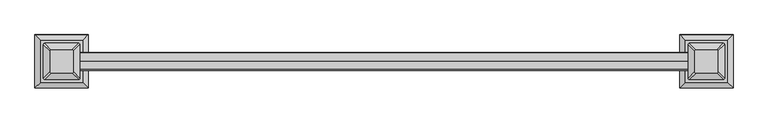
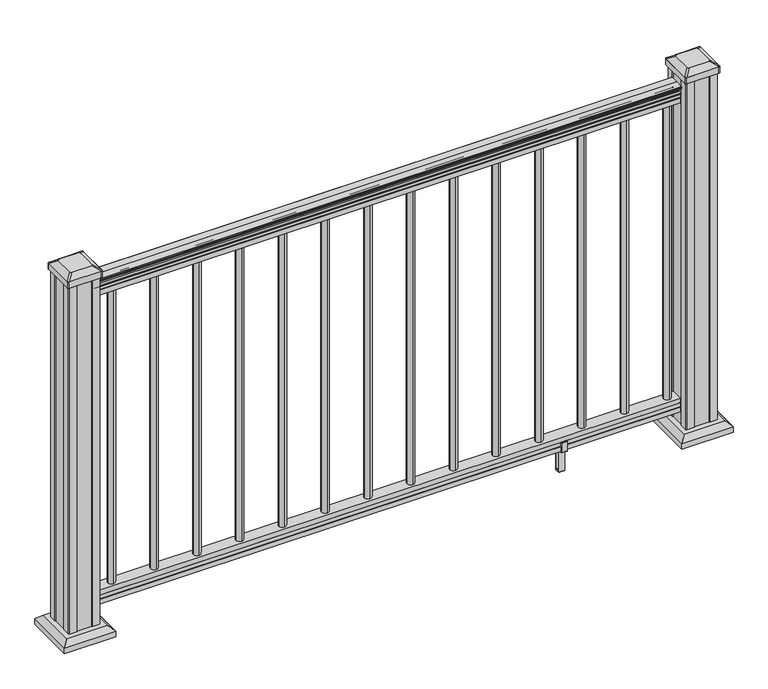
"""IFC4 building model written with IfcOpenShell, lengths in millimetres: railing geometry."""

from ifc_helpers import new_model, si_unit, point, frame, frame_2d, origin, origin_with_axes, place, context, project, spatial, polyline, circle_curve, trimmed, segment, composite_curve, outline, extrude, faceted_brep, source, transform, mapped, element, save
from ifc_brep_helpers import plane_surface, cylinder_surface, revolved_surface, extruded_surface, advanced_brep


def railing_b4f16089(model_context):
    return source(origin(), model_context, "Body", "SolidModel", [
        advanced_brep(
        [(14301.24856, -20367.8902081, 938.4043297), (14301.24856, -20370.4640368, 938.4043297), (14301.24856, -20370.4640368, 927.747013), (14301.24856, -20369.4480368, 926.731013), (14301.24856, -20369.4480368, 914.4), (14301.24856, -20401.1980368, 914.4), (14301.24856, -20401.1980368, 926.8888283), (14301.24856, -20400.1820368, 927.9048283), (14301.24856, -20400.1820368, 938.4043297), (14301.24856, -20402.7558656, 938.4043297), (14301.24856, -20402.7558656, 940.292412), (14301.24856, -20403.8860518, 941.8546695), (14301.24856, -20403.8860518, 949.0726458), (14301.24856, -20403.2367954, 951.5060812), (14301.24856, -20405.7367954, 955.8362083), (14301.24856, -20407.1461379, 957.5157972), (14301.24856, -20407.5480369, 958.6205318), (14301.24856, -20407.5480368, 959.9608158), (14301.24856, -20405.9945896, 961.514263), (14301.24856, -20385.3230368, 961.514263), (14301.24856, -20364.651484, 961.514263), (14301.24856, -20363.0980368, 959.9608158), (14301.24856, -20363.0980368, 958.6205318), (14301.24856, -20363.4999357, 957.5157972), (14301.24856, -20364.9092782, 955.8362083), (14301.24856, -20367.4092782, 951.5060812), (14301.24856, -20366.7600218, 949.0726458), (14301.24856, -20366.7600218, 941.8546695), (14301.24856, -20367.8902081, 940.292412), (15825.24856, -20367.8902081, 938.4043297), (15825.24856, -20367.8902081, 940.292412), (15825.24856, -20366.7600218, 941.8546695), (15825.24856, -20366.7600218, 949.0726458), (15825.24856, -20367.4092782, 951.5060812), (15825.24856, -20364.9092782, 955.8362083), (15825.24856, -20363.4999357, 957.5157972), (15825.24856, -20363.0980367, 958.6205318), (15825.24856, -20363.0980368, 959.9608158), (15825.24856, -20364.651484, 961.514263), (15825.24856, -20385.3230368, 961.514263), (15825.24856, -20405.9945896, 961.514263), (15825.24856, -20407.5480368, 959.9608158), (15825.24856, -20407.5480368, 958.6205318), (15825.24856, -20407.1461379, 957.5157972), (15825.24856, -20405.7367954, 955.8362083), (15825.24856, -20403.2367954, 951.5060812), (15825.24856, -20403.8860518, 949.0726458), (15825.24856, -20403.8860518, 941.8546695), (15825.24856, -20402.7558655, 940.292412), (15825.24856, -20402.7558656, 938.4043297), (15825.24856, -20400.1820368, 938.4043297), (15825.24856, -20400.1820368, 927.9048283), (15825.24856, -20401.1980368, 926.8888283), (15825.24856, -20401.1980368, 914.4), (15825.24856, -20369.4480368, 914.4), (15825.24856, -20369.4480368, 926.731013), (15825.24856, -20370.4640368, 927.747013), (15825.24856, -20370.4640368, 938.4043297)],
        [
            (0, 1, circle_curve(frame((14301.24856, -20369.1771224, 938.4043297), z_axis=(-1.0, 0.0, 0.0), x_axis=(0.0, -1.0, 0.0)), 1.2869144)),
            (1, 2),
            (2, 3),
            (3, 4),
            (4, 5),
            (5, 6),
            (6, 7),
            (7, 8),
            (8, 9, circle_curve(frame((14301.24856, -20401.4689512, 938.4043297), z_axis=(-1.0, 0.0, 0.0), x_axis=(0.0, 1.0, 0.0)), 1.2869144)),
            (9, 10),
            (10, 11, circle_curve(frame((14301.24856, -20396.4411123, 946.0506383), z_axis=(-1.0, 0.0, 0.0), x_axis=(0.0, 1.0, 0.0)), 8.545951)),
            (11, 12, circle_curve(frame((14301.24856, -20396.8781752, 945.4636577), z_axis=(-1.0, 0.0, 0.0), x_axis=(0.0, 1.0, 0.0)), 7.882584)),
            (12, 13, circle_curve(frame((14301.24856, -20407.3914994, 951.3112527), z_axis=(1.0, 0.0, 0.0), x_axis=(0.0, 1.0, 0.0)), 4.1592695)),
            (13, 14, circle_curve(frame((14301.24856, -20408.6788059, 951.2508864), z_axis=(1.0, 0.0, 0.0), x_axis=(0.0, 1.0, 0.0)), 5.4479907)),
            (14, 15, circle_curve(frame((14301.24856, -20407.4456475, 955.833395), z_axis=(1.0, 0.0, 0.0), x_axis=(0.0, 1.0, 0.0)), 1.7088543)),
            (15, 16, circle_curve(frame((14301.24856, -20405.8287474, 958.6205318), z_axis=(-1.0, 0.0, 0.0), x_axis=(0.0, 1.0, 0.0)), 1.7192895)),
            (16, 17),
            (17, 18, circle_curve(frame((14301.24856, -20405.9945896, 959.9608158), z_axis=(-1.0, 0.0, 0.0), x_axis=(0.0, 1.0, 0.0)), 1.5534472)),
            (18, 19),
            (19, 20),
            (20, 21, circle_curve(frame((14301.24856, -20364.651484, 959.9608158), z_axis=(-1.0, 0.0, 0.0), x_axis=(0.0, -1.0, 0.0)), 1.5534472)),
            (21, 22),
            (22, 23, circle_curve(frame((14301.24856, -20364.8173262, 958.6205318), z_axis=(-1.0, 0.0, 0.0), x_axis=(0.0, -1.0, 0.0)), 1.7192895)),
            (23, 24, circle_curve(frame((14301.24856, -20363.2004262, 955.833395), z_axis=(1.0, 0.0, 0.0), x_axis=(0.0, -1.0, 0.0)), 1.7088543)),
            (24, 25, circle_curve(frame((14301.24856, -20361.9672677, 951.2508864), z_axis=(1.0, 0.0, 0.0), x_axis=(0.0, -1.0, 0.0)), 5.4479907)),
            (25, 26, circle_curve(frame((14301.24856, -20363.2545743, 951.3112527), z_axis=(1.0, 0.0, 0.0), x_axis=(0.0, -1.0, 0.0)), 4.1592695)),
            (26, 27, circle_curve(frame((14301.24856, -20373.7678984, 945.4636577), z_axis=(-1.0, 0.0, 0.0), x_axis=(0.0, -1.0, 0.0)), 7.882584)),
            (27, 28, circle_curve(frame((14301.24856, -20374.2049614, 946.0506383), z_axis=(-1.0, 0.0, 0.0), x_axis=(0.0, -1.0, 0.0)), 8.545951)),
            (28, 0),
            (29, 30),
            (30, 31, circle_curve(frame((15825.24856, -20374.2049614, 946.0506383), z_axis=(1.0, 0.0, 0.0), x_axis=(0.0, -1.0, 0.0)), 8.545951)),
            (31, 32, circle_curve(frame((15825.24856, -20373.7678984, 945.4636577), z_axis=(1.0, 0.0, 0.0), x_axis=(0.0, -1.0, 0.0)), 7.882584)),
            (32, 33, circle_curve(frame((15825.24856, -20363.2545743, 951.3112527), z_axis=(-1.0, 0.0, 0.0), x_axis=(0.0, -1.0, 0.0)), 4.1592695)),
            (33, 34, circle_curve(frame((15825.24856, -20361.9672677, 951.2508864), z_axis=(-1.0, 0.0, 0.0), x_axis=(0.0, -1.0, 0.0)), 5.4479907)),
            (34, 35, circle_curve(frame((15825.24856, -20363.2004262, 955.833395), z_axis=(-1.0, 0.0, 0.0), x_axis=(0.0, -1.0, 0.0)), 1.7088543)),
            (35, 36, circle_curve(frame((15825.24856, -20364.8173262, 958.6205318), z_axis=(1.0, 0.0, 0.0), x_axis=(0.0, -1.0, 0.0)), 1.7192895)),
            (36, 37),
            (37, 38, circle_curve(frame((15825.24856, -20364.651484, 959.9608158), z_axis=(1.0, 0.0, 0.0), x_axis=(0.0, -1.0, 0.0)), 1.5534472)),
            (38, 39),
            (39, 40),
            (40, 41, circle_curve(frame((15825.24856, -20405.9945896, 959.9608158), z_axis=(1.0, 0.0, 0.0), x_axis=(0.0, 1.0, 0.0)), 1.5534472)),
            (41, 42),
            (42, 43, circle_curve(frame((15825.24856, -20405.8287474, 958.6205318), z_axis=(1.0, 0.0, 0.0), x_axis=(0.0, 1.0, 0.0)), 1.7192895)),
            (43, 44, circle_curve(frame((15825.24856, -20407.4456475, 955.833395), z_axis=(-1.0, 0.0, 0.0), x_axis=(0.0, 1.0, 0.0)), 1.7088543)),
            (44, 45, circle_curve(frame((15825.24856, -20408.6788059, 951.2508864), z_axis=(-1.0, 0.0, 0.0), x_axis=(0.0, 1.0, 0.0)), 5.4479907)),
            (45, 46, circle_curve(frame((15825.24856, -20407.3914994, 951.3112527), z_axis=(-1.0, 0.0, 0.0), x_axis=(0.0, 1.0, 0.0)), 4.1592695)),
            (46, 47, circle_curve(frame((15825.24856, -20396.8781752, 945.4636577), z_axis=(1.0, 0.0, 0.0), x_axis=(0.0, 1.0, 0.0)), 7.882584)),
            (47, 48, circle_curve(frame((15825.24856, -20396.4411123, 946.0506383), z_axis=(1.0, 0.0, 0.0), x_axis=(0.0, 1.0, 0.0)), 8.545951)),
            (48, 49),
            (49, 50, circle_curve(frame((15825.24856, -20401.4689512, 938.4043297), z_axis=(1.0, 0.0, 0.0), x_axis=(0.0, 1.0, 0.0)), 1.2869144)),
            (50, 51),
            (51, 52),
            (52, 53),
            (53, 54),
            (54, 55),
            (55, 56),
            (56, 57),
            (57, 29, circle_curve(frame((15825.24856, -20369.1771224, 938.4043297), z_axis=(1.0, 0.0, 0.0), x_axis=(0.0, -1.0, 0.0)), 1.2869144)),
            (0, 29),
            (57, 1),
            (56, 2),
            (55, 3),
            (54, 4),
            (53, 5),
            (52, 6),
            (51, 7),
            (50, 8),
            (49, 9),
            (48, 10),
            (47, 11),
            (46, 12),
            (45, 13),
            (44, 14),
            (43, 15),
            (42, 16),
            (41, 17),
            (40, 18),
            (39, 19),
            (38, 20),
            (37, 21),
            (36, 22),
            (35, 23),
            (34, 24),
            (33, 25),
            (32, 26),
            (31, 27),
            (30, 28),
        ],
        [
            plane_surface(frame((14301.24856, -20385.3230368, 914.4), z_axis=(-1.0, 0.0, 0.0), x_axis=(0.0, 1.0, 0.0))),
            plane_surface(frame((15825.24856, -20385.3230368, 914.4), z_axis=(1.0, 0.0, 0.0), x_axis=(0.0, 1.0, 0.0))),
            cylinder_surface(frame((14301.24856, -20369.1771224, 938.4043297), z_axis=(-1.0, 0.0, 0.0), x_axis=(0.0, -1.0, 0.0)), 1.2869144),
            plane_surface(frame((14301.24856, -20370.4640368, 938.4043297), z_axis=(0.0, 1.0, 0.0), x_axis=(1.0, 0.0, 0.0))),
            plane_surface(frame((14301.24856, -20370.4640368, 927.747013), z_axis=(0.0, 0.7071067811865395, 0.7071067811865556), x_axis=(1.0, 0.0, 0.0))),
            plane_surface(frame((14301.24856, -20369.4480368, 926.731013), z_axis=(0.0, 1.0, 0.0), x_axis=(1.0, 0.0, 0.0))),
            plane_surface(frame((14301.24856, -20369.4480368, 914.4), z_axis=(0.0, 0.0, -1.0), x_axis=(1.0, 0.0, 0.0))),
            plane_surface(frame((14301.24856, -20401.1980368, 914.4), z_axis=(0.0, -1.0, 0.0), x_axis=(1.0, 0.0, 0.0))),
            plane_surface(frame((14301.24856, -20401.1980368, 926.8888283), z_axis=(0.0, -0.7071067811865432, 0.707106781186552), x_axis=(1.0, 0.0, 0.0))),
            plane_surface(frame((14301.24856, -20400.1820368, 927.9048283), z_axis=(0.0, -1.0, 0.0), x_axis=(1.0, 0.0, 0.0))),
            cylinder_surface(frame((14301.24856, -20401.4689512, 938.4043297), z_axis=(-1.0, 0.0, 0.0), x_axis=(0.0, 1.0, 0.0)), 1.2869144),
            plane_surface(frame((14301.24856, -20402.7558656, 938.4043297), z_axis=(0.0, -1.0, 0.0), x_axis=(1.0, 0.0, 0.0))),
            cylinder_surface(frame((14301.24856, -20396.4411123, 946.0506383), z_axis=(-1.0, 0.0, 0.0), x_axis=(0.0, 1.0, 0.0)), 8.545951),
            cylinder_surface(frame((14301.24856, -20396.8781752, 945.4636577), z_axis=(-1.0, 0.0, 0.0), x_axis=(0.0, 1.0, 0.0)), 7.882584),
            revolved_surface(polyline([(15825.24856, -20403.2322299, 951.3112527), (14301.24856, -20403.2322299, 951.3112527)]), (14301.24856, -20407.3914994, 951.3112527), (1.0, 0.0, 0.0)),
            revolved_surface(polyline([(15825.24856, -20403.2308152, 951.2508864), (14301.24856, -20403.2308152, 951.2508864)]), (14301.24856, -20408.6788059, 951.2508864), (1.0, 0.0, 0.0)),
            revolved_surface(polyline([(15825.24856, -20405.7367932, 955.833395), (14301.24856, -20405.7367932, 955.833395)]), (14301.24856, -20407.4456475, 955.833395), (1.0, 0.0, 0.0)),
            cylinder_surface(frame((14301.24856, -20405.8287474, 958.6205318), z_axis=(-1.0, 0.0, 0.0), x_axis=(0.0, 1.0, 0.0)), 1.7192895),
            plane_surface(frame((14301.24856, -20407.5480368, 958.6205318), z_axis=(0.0, -1.0, 0.0), x_axis=(1.0, 0.0, 0.0))),
            cylinder_surface(frame((14301.24856, -20405.9945896, 959.9608158), z_axis=(-1.0, 0.0, 0.0), x_axis=(0.0, 1.0, 0.0)), 1.5534472),
            plane_surface(frame((14301.24856, -20405.9945896, 961.514263), z_axis=(0.0, 0.0, 1.0), x_axis=(1.0, 0.0, 0.0))),
            plane_surface(frame((14301.24856, -20385.3230368, 961.514263), z_axis=(0.0, 0.0, 1.0), x_axis=(1.0, 0.0, 0.0))),
            cylinder_surface(frame((14301.24856, -20364.651484, 959.9608158), z_axis=(-1.0, 0.0, 0.0), x_axis=(0.0, -1.0, 0.0)), 1.5534472),
            plane_surface(frame((14301.24856, -20363.0980368, 959.9608158), z_axis=(0.0, 1.0, 0.0), x_axis=(1.0, 0.0, 0.0))),
            cylinder_surface(frame((14301.24856, -20364.8173262, 958.6205318), z_axis=(-1.0, 0.0, 0.0), x_axis=(0.0, -1.0, 0.0)), 1.7192895),
            revolved_surface(polyline([(15825.24856, -20364.9092805, 955.833395), (14301.24856, -20364.9092805, 955.833395)]), (14301.24856, -20363.2004262, 955.833395), (1.0, 0.0, 0.0)),
            revolved_surface(polyline([(15825.24856, -20367.4152584, 951.2508864), (14301.24856, -20367.4152584, 951.2508864)]), (14301.24856, -20361.9672677, 951.2508864), (1.0, 0.0, 0.0)),
            revolved_surface(polyline([(15825.24856, -20367.4138438, 951.3112527), (14301.24856, -20367.4138438, 951.3112527)]), (14301.24856, -20363.2545743, 951.3112527), (1.0, 0.0, 0.0)),
            cylinder_surface(frame((14301.24856, -20373.7678984, 945.4636577), z_axis=(-1.0, 0.0, 0.0), x_axis=(0.0, -1.0, 0.0)), 7.882584),
            cylinder_surface(frame((14301.24856, -20374.2049614, 946.0506383), z_axis=(-1.0, 0.0, 0.0), x_axis=(0.0, -1.0, 0.0)), 8.545951),
            plane_surface(frame((14301.24856, -20367.8902081, 940.292412), z_axis=(0.0, 1.0, 0.0), x_axis=(1.0, 0.0, 0.0))),
        ],
        [
            (0, [[1, 2, 3, 4, 5, 6, 7, 8, 9, 10, 11, 12, 13, 14, 15, 16, 17, 18, 19, 20, 21, 22, 23, 24, 25, 26, 27, 28, 29]]),
            (1, [[30, 31, 32, 33, 34, 35, 36, 37, 38, 39, 40, 41, 42, 43, 44, 45, 46, 47, 48, 49, 50, 51, 52, 53, 54, 55, 56, 57, 58]]),
            (2, [[-1, 59, -58, 60]]),
            (3, [[-2, -60, -57, 61]]),
            (4, [[-3, -61, -56, 62]]),
            (5, [[-4, -62, -55, 63]]),
            (6, [[-5, -63, -54, 64]]),
            (7, [[-6, -64, -53, 65]]),
            (8, [[-7, -65, -52, 66]]),
            (9, [[-8, -66, -51, 67]]),
            (10, [[-9, -67, -50, 68]]),
            (11, [[-10, -68, -49, 69]]),
            (12, [[-11, -69, -48, 70]]),
            (13, [[-12, -70, -47, 71]]),
            (14, [[-13, -71, -46, 72]]),
            (15, [[-14, -72, -45, 73]]),
            (16, [[-15, -73, -44, 74]]),
            (17, [[-16, -74, -43, 75]]),
            (18, [[-17, -75, -42, 76]]),
            (19, [[-18, -76, -41, 77]]),
            (20, [[-19, -77, -40, 78]]),
            (21, [[-20, -78, -39, 79]]),
            (22, [[-21, -79, -38, 80]]),
            (23, [[-22, -80, -37, 81]]),
            (24, [[-23, -81, -36, 82]]),
            (25, [[-24, -82, -35, 83]]),
            (26, [[-25, -83, -34, 84]]),
            (27, [[-26, -84, -33, 85]]),
            (28, [[-27, -85, -32, 86]]),
            (29, [[-28, -86, -31, 87]]),
            (30, [[-29, -87, -30, -59]]),
        ],
    ),
        faceted_brep([(14301.24856, -20369.4105499, 76.0541976), (14301.24856, -20369.4105499, 63.5), (14301.24856, -20401.1605499, 63.5), (14301.24856, -20401.1605499, 76.0375508), (14301.24856, -20400.1445499, 77.3858283), (14301.24856, -20400.1445499, 87.6975248), (14301.24856, -20401.1605499, 89.0458024), (14301.24856, -20401.1605499, 101.5958781), (14301.24856, -20369.4105499, 101.5958781), (14301.24856, -20369.4105499, 89.0624492), (14301.24856, -20370.4265499, 87.7141717), (14301.24856, -20370.4265499, 77.3546183), (15825.24856, -20369.4105499, 76.0541976), (15825.24856, -20370.4265499, 77.3546183), (15825.24856, -20370.4265499, 87.7141717), (15825.24856, -20369.4105499, 89.0624492), (15825.24856, -20369.4105499, 101.5958781), (15825.24856, -20401.1605499, 101.5958781), (15825.24856, -20401.1605499, 89.0458024), (15825.24856, -20400.1445499, 87.6975248), (15825.24856, -20400.1445499, 77.3858283), (15825.24856, -20401.1605499, 76.0375508), (15825.24856, -20401.1605499, 63.5), (15825.24856, -20369.4105499, 63.5)], [[[0, 1, 2, 3, 4, 5, 6, 7, 8, 9, 10, 11]], [[12, 13, 14, 15, 16, 17, 18, 19, 20, 21, 22, 23]], [[1, 0, 12, 23]], [[2, 1, 23, 22]], [[3, 2, 22, 21]], [[4, 3, 21, 20]], [[5, 4, 20, 19]], [[6, 5, 19, 18]], [[7, 6, 18, 17]], [[8, 7, 17, 16]], [[9, 8, 16, 15]], [[10, 9, 15, 14]], [[11, 10, 14, 13]], [[0, 11, 13, 12]]]),
        extrude(outline(composite_curve([segment(trimmed(circle_curve(frame_2d((15799.84856, -20385.3230368)), 9.525), [point((15799.84856, -20375.7980368))], [point((15809.37356, -20385.3230368))], False, "CARTESIAN"), True, "CONTINUOUS"), segment(trimmed(circle_curve(frame_2d((15799.84856, -20385.3230368)), 9.525), [point((15809.37356, -20385.3230368))], [point((15799.84856, -20394.8480368))], False, "CARTESIAN"), True, "CONTINUOUS"), segment(trimmed(circle_curve(frame_2d((15799.84856, -20385.3230368)), 9.525), [point((15799.84856, -20394.8480368))], [point((15790.32356, -20385.3230368))], False, "CARTESIAN"), True, "CONTINUOUS"), segment(trimmed(circle_curve(frame_2d((15799.84856, -20385.3230368)), 9.525), [point((15790.32356, -20385.3230368))], [point((15799.84856, -20375.7980368))], False, "CARTESIAN"), True, "CONTINUOUS")], self_intersect=False)), frame((0.0, 0.0, 101.5958781), z_axis=(0.0, 0.0, 1.0), x_axis=(1.0, 0.0, 0.0)), (0.0, 0.0, 1.0), 812.8041219),
        extrude(outline(composite_curve([segment(trimmed(circle_curve(frame_2d((15688.59656, -20385.3230368)), 9.525), [point((15688.59656, -20375.7980368))], [point((15698.12156, -20385.3230368))], False, "CARTESIAN"), True, "CONTINUOUS"), segment(trimmed(circle_curve(frame_2d((15688.59656, -20385.3230368)), 9.525), [point((15698.12156, -20385.3230368))], [point((15688.59656, -20394.8480368))], False, "CARTESIAN"), True, "CONTINUOUS"), segment(trimmed(circle_curve(frame_2d((15688.59656, -20385.3230368)), 9.525), [point((15688.59656, -20394.8480368))], [point((15679.07156, -20385.3230368))], False, "CARTESIAN"), True, "CONTINUOUS"), segment(trimmed(circle_curve(frame_2d((15688.59656, -20385.3230368)), 9.525), [point((15679.07156, -20385.3230368))], [point((15688.59656, -20375.7980368))], False, "CARTESIAN"), True, "CONTINUOUS")], self_intersect=False)), frame((0.0, 0.0, 101.5958781), z_axis=(0.0, 0.0, 1.0), x_axis=(1.0, 0.0, 0.0)), (0.0, 0.0, 1.0), 812.8041219),
        extrude(outline(composite_curve([segment(trimmed(circle_curve(frame_2d((15577.34456, -20385.3230368)), 9.525), [point((15577.34456, -20375.7980368))], [point((15586.86956, -20385.3230368))], False, "CARTESIAN"), True, "CONTINUOUS"), segment(trimmed(circle_curve(frame_2d((15577.34456, -20385.3230368)), 9.525), [point((15586.86956, -20385.3230368))], [point((15577.34456, -20394.8480368))], False, "CARTESIAN"), True, "CONTINUOUS"), segment(trimmed(circle_curve(frame_2d((15577.34456, -20385.3230368)), 9.525), [point((15577.34456, -20394.8480368))], [point((15567.81956, -20385.3230368))], False, "CARTESIAN"), True, "CONTINUOUS"), segment(trimmed(circle_curve(frame_2d((15577.34456, -20385.3230368)), 9.525), [point((15567.81956, -20385.3230368))], [point((15577.34456, -20375.7980368))], False, "CARTESIAN"), True, "CONTINUOUS")], self_intersect=False)), frame((0.0, 0.0, 101.5958781), z_axis=(0.0, 0.0, 1.0), x_axis=(1.0, 0.0, 0.0)), (0.0, 0.0, 1.0), 812.8041219),
        extrude(outline(polyline([(-20403.4840356, 88.7203979), (-20401.452036, 88.7203979), (-20400.4360363, 87.7043953), (-20400.4360363, 77.2686081), (-20401.452036, 76.2526073), (-20401.452036, 64.262001), (-20400.6900369, 63.5000019), (-20369.9560358, 63.5000019), (-20369.1940366, 64.262001), (-20369.1940366, 76.2526073), (-20370.2100364, 77.2686081), (-20370.2100364, 87.7043953), (-20369.1940366, 88.7203979), (-20367.162037, 88.7203979), (-20366.400036, 87.9583969), (-20366.400036, 61.4680023), (-20367.162037, 60.7060013), (-20377.1950361, 60.7060013), (-20377.9570362, 59.9440012), (-20377.9570362, 0.762001), (-20378.7190372, 0.0), (-20391.9270364, 0.0), (-20392.6890365, 0.7620001), (-20392.6890365, 59.9440012), (-20393.4510366, 60.7060013), (-20403.4840356, 60.7060013), (-20404.2460367, 61.4680023), (-20404.2460367, 87.9583969), (-20403.4840356, 88.7203979)]), holes=[polyline([(-20381.8940364, 60.7060013), (-20388.7520362, 60.7060013), (-20389.5140363, 59.9440012), (-20389.5140363, 3.9370003), (-20388.7520391, 3.1750031), (-20381.8940364, 3.1750031), (-20381.1320363, 3.9370031), (-20381.1320363, 59.9440012), (-20381.8940364, 60.7060013)])]), frame((15514.35256, 0.0, 0.0), z_axis=(1.0, 0.0, 0.0), x_axis=(0.0, 1.0, 0.0)), (0.0, 0.0, 1.0), 14.732),
        extrude(outline(composite_curve([segment(trimmed(circle_curve(frame_2d((15466.09256, -20385.3230368)), 9.525), [point((15466.09256, -20375.7980368))], [point((15475.61756, -20385.3230368))], False, "CARTESIAN"), True, "CONTINUOUS"), segment(trimmed(circle_curve(frame_2d((15466.09256, -20385.3230368)), 9.525), [point((15475.61756, -20385.3230368))], [point((15466.09256, -20394.8480368))], False, "CARTESIAN"), True, "CONTINUOUS"), segment(trimmed(circle_curve(frame_2d((15466.09256, -20385.3230368)), 9.525), [point((15466.09256, -20394.8480368))], [point((15456.56756, -20385.3230368))], False, "CARTESIAN"), True, "CONTINUOUS"), segment(trimmed(circle_curve(frame_2d((15466.09256, -20385.3230368)), 9.525), [point((15456.56756, -20385.3230368))], [point((15466.09256, -20375.7980368))], False, "CARTESIAN"), True, "CONTINUOUS")], self_intersect=False)), frame((0.0, 0.0, 101.5958781), z_axis=(0.0, 0.0, 1.0), x_axis=(1.0, 0.0, 0.0)), (0.0, 0.0, 1.0), 812.8041219),
        extrude(outline(composite_curve([segment(trimmed(circle_curve(frame_2d((15354.84056, -20385.3230368)), 9.525), [point((15354.84056, -20375.7980368))], [point((15364.36556, -20385.3230368))], False, "CARTESIAN"), True, "CONTINUOUS"), segment(trimmed(circle_curve(frame_2d((15354.84056, -20385.3230368)), 9.525), [point((15364.36556, -20385.3230368))], [point((15354.84056, -20394.8480368))], False, "CARTESIAN"), True, "CONTINUOUS"), segment(trimmed(circle_curve(frame_2d((15354.84056, -20385.3230368)), 9.525), [point((15354.84056, -20394.8480368))], [point((15345.31556, -20385.3230368))], False, "CARTESIAN"), True, "CONTINUOUS"), segment(trimmed(circle_curve(frame_2d((15354.84056, -20385.3230368)), 9.525), [point((15345.31556, -20385.3230368))], [point((15354.84056, -20375.7980368))], False, "CARTESIAN"), True, "CONTINUOUS")], self_intersect=False)), frame((0.0, 0.0, 101.5958781), z_axis=(0.0, 0.0, 1.0), x_axis=(1.0, 0.0, 0.0)), (0.0, 0.0, 1.0), 812.8041219),
        extrude(outline(composite_curve([segment(trimmed(circle_curve(frame_2d((15243.58856, -20385.3230368)), 9.525), [point((15243.58856, -20375.7980368))], [point((15253.11356, -20385.3230368))], False, "CARTESIAN"), True, "CONTINUOUS"), segment(trimmed(circle_curve(frame_2d((15243.58856, -20385.3230368)), 9.525), [point((15253.11356, -20385.3230368))], [point((15243.58856, -20394.8480368))], False, "CARTESIAN"), True, "CONTINUOUS"), segment(trimmed(circle_curve(frame_2d((15243.58856, -20385.3230368)), 9.525), [point((15243.58856, -20394.8480368))], [point((15234.06356, -20385.3230368))], False, "CARTESIAN"), True, "CONTINUOUS"), segment(trimmed(circle_curve(frame_2d((15243.58856, -20385.3230368)), 9.525), [point((15234.06356, -20385.3230368))], [point((15243.58856, -20375.7980368))], False, "CARTESIAN"), True, "CONTINUOUS")], self_intersect=False)), frame((0.0, 0.0, 101.5958781), z_axis=(0.0, 0.0, 1.0), x_axis=(1.0, 0.0, 0.0)), (0.0, 0.0, 1.0), 812.8041219),
        extrude(outline(composite_curve([segment(trimmed(circle_curve(frame_2d((15132.33656, -20385.3230368)), 9.525), [point((15132.33656, -20375.7980368))], [point((15141.86156, -20385.3230368))], False, "CARTESIAN"), True, "CONTINUOUS"), segment(trimmed(circle_curve(frame_2d((15132.33656, -20385.3230368)), 9.525), [point((15141.86156, -20385.3230368))], [point((15132.33656, -20394.8480368))], False, "CARTESIAN"), True, "CONTINUOUS"), segment(trimmed(circle_curve(frame_2d((15132.33656, -20385.3230368)), 9.525), [point((15132.33656, -20394.8480368))], [point((15122.81156, -20385.3230368))], False, "CARTESIAN"), True, "CONTINUOUS"), segment(trimmed(circle_curve(frame_2d((15132.33656, -20385.3230368)), 9.525), [point((15122.81156, -20385.3230368))], [point((15132.33656, -20375.7980368))], False, "CARTESIAN"), True, "CONTINUOUS")], self_intersect=False)), frame((0.0, 0.0, 101.5958781), z_axis=(0.0, 0.0, 1.0), x_axis=(1.0, 0.0, 0.0)), (0.0, 0.0, 1.0), 812.8041219),
        extrude(outline(composite_curve([segment(trimmed(circle_curve(frame_2d((15021.08456, -20385.3230368)), 9.525), [point((15021.08456, -20375.7980368))], [point((15030.60956, -20385.3230368))], False, "CARTESIAN"), True, "CONTINUOUS"), segment(trimmed(circle_curve(frame_2d((15021.08456, -20385.3230368)), 9.525), [point((15030.60956, -20385.3230368))], [point((15021.08456, -20394.8480368))], False, "CARTESIAN"), True, "CONTINUOUS"), segment(trimmed(circle_curve(frame_2d((15021.08456, -20385.3230368)), 9.525), [point((15021.08456, -20394.8480368))], [point((15011.55956, -20385.3230368))], False, "CARTESIAN"), True, "CONTINUOUS"), segment(trimmed(circle_curve(frame_2d((15021.08456, -20385.3230368)), 9.525), [point((15011.55956, -20385.3230368))], [point((15021.08456, -20375.7980368))], False, "CARTESIAN"), True, "CONTINUOUS")], self_intersect=False)), frame((0.0, 0.0, 101.5958781), z_axis=(0.0, 0.0, 1.0), x_axis=(1.0, 0.0, 0.0)), (0.0, 0.0, 1.0), 812.8041219),
        extrude(outline(composite_curve([segment(trimmed(circle_curve(frame_2d((14909.83256, -20385.3230368)), 9.525), [point((14909.83256, -20375.7980368))], [point((14919.35756, -20385.3230368))], False, "CARTESIAN"), True, "CONTINUOUS"), segment(trimmed(circle_curve(frame_2d((14909.83256, -20385.3230368)), 9.525), [point((14919.35756, -20385.3230368))], [point((14909.83256, -20394.8480368))], False, "CARTESIAN"), True, "CONTINUOUS"), segment(trimmed(circle_curve(frame_2d((14909.83256, -20385.3230368)), 9.525), [point((14909.83256, -20394.8480368))], [point((14900.30756, -20385.3230368))], False, "CARTESIAN"), True, "CONTINUOUS"), segment(trimmed(circle_curve(frame_2d((14909.83256, -20385.3230368)), 9.525), [point((14900.30756, -20385.3230368))], [point((14909.83256, -20375.7980368))], False, "CARTESIAN"), True, "CONTINUOUS")], self_intersect=False)), frame((0.0, 0.0, 101.5958781), z_axis=(0.0, 0.0, 1.0), x_axis=(1.0, 0.0, 0.0)), (0.0, 0.0, 1.0), 812.8041219),
        extrude(outline(composite_curve([segment(trimmed(circle_curve(frame_2d((14798.58056, -20385.3230368)), 9.525), [point((14798.58056, -20375.7980368))], [point((14808.10556, -20385.3230368))], False, "CARTESIAN"), True, "CONTINUOUS"), segment(trimmed(circle_curve(frame_2d((14798.58056, -20385.3230368)), 9.525), [point((14808.10556, -20385.3230368))], [point((14798.58056, -20394.8480368))], False, "CARTESIAN"), True, "CONTINUOUS"), segment(trimmed(circle_curve(frame_2d((14798.58056, -20385.3230368)), 9.525), [point((14798.58056, -20394.8480368))], [point((14789.05556, -20385.3230368))], False, "CARTESIAN"), True, "CONTINUOUS"), segment(trimmed(circle_curve(frame_2d((14798.58056, -20385.3230368)), 9.525), [point((14789.05556, -20385.3230368))], [point((14798.58056, -20375.7980368))], False, "CARTESIAN"), True, "CONTINUOUS")], self_intersect=False)), frame((0.0, 0.0, 101.5958781), z_axis=(0.0, 0.0, 1.0), x_axis=(1.0, 0.0, 0.0)), (0.0, 0.0, 1.0), 812.8041219),
        extrude(outline(composite_curve([segment(trimmed(circle_curve(frame_2d((14687.32856, -20385.3230368)), 9.525), [point((14687.32856, -20375.7980368))], [point((14696.85356, -20385.3230368))], False, "CARTESIAN"), True, "CONTINUOUS"), segment(trimmed(circle_curve(frame_2d((14687.32856, -20385.3230368)), 9.525), [point((14696.85356, -20385.3230368))], [point((14687.32856, -20394.8480368))], False, "CARTESIAN"), True, "CONTINUOUS"), segment(trimmed(circle_curve(frame_2d((14687.32856, -20385.3230368)), 9.525), [point((14687.32856, -20394.8480368))], [point((14677.80356, -20385.3230368))], False, "CARTESIAN"), True, "CONTINUOUS"), segment(trimmed(circle_curve(frame_2d((14687.32856, -20385.3230368)), 9.525), [point((14677.80356, -20385.3230368))], [point((14687.32856, -20375.7980368))], False, "CARTESIAN"), True, "CONTINUOUS")], self_intersect=False)), frame((0.0, 0.0, 101.5958781), z_axis=(0.0, 0.0, 1.0), x_axis=(1.0, 0.0, 0.0)), (0.0, 0.0, 1.0), 812.8041219),
        extrude(outline(composite_curve([segment(trimmed(circle_curve(frame_2d((14576.07656, -20385.3230368)), 9.525), [point((14576.07656, -20375.7980368))], [point((14585.60156, -20385.3230368))], False, "CARTESIAN"), True, "CONTINUOUS"), segment(trimmed(circle_curve(frame_2d((14576.07656, -20385.3230368)), 9.525), [point((14585.60156, -20385.3230368))], [point((14576.07656, -20394.8480368))], False, "CARTESIAN"), True, "CONTINUOUS"), segment(trimmed(circle_curve(frame_2d((14576.07656, -20385.3230368)), 9.525), [point((14576.07656, -20394.8480368))], [point((14566.55156, -20385.3230368))], False, "CARTESIAN"), True, "CONTINUOUS"), segment(trimmed(circle_curve(frame_2d((14576.07656, -20385.3230368)), 9.525), [point((14566.55156, -20385.3230368))], [point((14576.07656, -20375.7980368))], False, "CARTESIAN"), True, "CONTINUOUS")], self_intersect=False)), frame((0.0, 0.0, 101.5958781), z_axis=(0.0, 0.0, 1.0), x_axis=(1.0, 0.0, 0.0)), (0.0, 0.0, 1.0), 812.8041219),
        extrude(outline(composite_curve([segment(trimmed(circle_curve(frame_2d((14464.82456, -20385.3230368)), 9.525), [point((14464.82456, -20375.7980368))], [point((14474.34956, -20385.3230368))], False, "CARTESIAN"), True, "CONTINUOUS"), segment(trimmed(circle_curve(frame_2d((14464.82456, -20385.3230368)), 9.525), [point((14474.34956, -20385.3230368))], [point((14464.82456, -20394.8480368))], False, "CARTESIAN"), True, "CONTINUOUS"), segment(trimmed(circle_curve(frame_2d((14464.82456, -20385.3230368)), 9.525), [point((14464.82456, -20394.8480368))], [point((14455.29956, -20385.3230368))], False, "CARTESIAN"), True, "CONTINUOUS"), segment(trimmed(circle_curve(frame_2d((14464.82456, -20385.3230368)), 9.525), [point((14455.29956, -20385.3230368))], [point((14464.82456, -20375.7980368))], False, "CARTESIAN"), True, "CONTINUOUS")], self_intersect=False)), frame((0.0, 0.0, 101.5958781), z_axis=(0.0, 0.0, 1.0), x_axis=(1.0, 0.0, 0.0)), (0.0, 0.0, 1.0), 812.8041219),
        extrude(outline(composite_curve([segment(trimmed(circle_curve(frame_2d((14353.57256, -20385.3230368)), 9.525), [point((14353.57256, -20375.7980368))], [point((14363.09756, -20385.3230368))], False, "CARTESIAN"), True, "CONTINUOUS"), segment(trimmed(circle_curve(frame_2d((14353.57256, -20385.3230368)), 9.525), [point((14363.09756, -20385.3230368))], [point((14353.57256, -20394.8480368))], False, "CARTESIAN"), True, "CONTINUOUS"), segment(trimmed(circle_curve(frame_2d((14353.57256, -20385.3230368)), 9.525), [point((14353.57256, -20394.8480368))], [point((14344.04756, -20385.3230368))], False, "CARTESIAN"), True, "CONTINUOUS"), segment(trimmed(circle_curve(frame_2d((14353.57256, -20385.3230368)), 9.525), [point((14344.04756, -20385.3230368))], [point((14353.57256, -20375.7980368))], False, "CARTESIAN"), True, "CONTINUOUS")], self_intersect=False)), frame((0.0, 0.0, 101.5958781), z_axis=(0.0, 0.0, 1.0), x_axis=(1.0, 0.0, 0.0)), (0.0, 0.0, 1.0), 812.8041219),
        faceted_brep([(15814.0646225, -20332.7370993, 28.575), (15814.0646225, -20437.9089743, 28.575), (15919.2364975, -20437.9089743, 28.575), (15919.2364975, -20332.7370993, 28.575), (15800.0251694, -20318.6976462, 15.24), (15933.2759507, -20318.6976462, 15.24), (15933.2759507, -20451.9484274, 15.24), (15800.0251694, -20451.9484274, 15.24)], [[[0, 1, 2, 3]], [[4, 5, 6, 7]], [[4, 7, 1, 0]], [[7, 6, 2, 1]], [[6, 5, 3, 2]], [[5, 4, 0, 3]]]),
        extrude(outline(polyline([(15800.0251694, -20318.6976462), (15933.2759507, -20318.6976462), (15933.2759507, -20451.9484274), (15800.0251694, -20451.9484274), (15800.0251694, -20318.6976462)])), origin_with_axes(), (0.0, 0.0, 1.0), 15.24),
        advanced_brep(
        [(15837.678685, -20411.1199118, 1012.825), (15840.853685, -20414.2949118, 1012.825), (15892.447435, -20414.2949118, 1012.825), (15895.622435, -20411.1199118, 1012.825), (15895.622435, -20359.5261618, 1012.825), (15892.447435, -20356.3511618, 1012.825), (15840.853685, -20356.3511618, 1012.825), (15837.678685, -20359.5261618, 1012.825), (15821.40681, -20427.3917868, 1001.522), (15821.40681, -20343.2542868, 1001.522), (15824.58181, -20340.0792868, 1001.522), (15908.71931, -20340.0792868, 1001.522), (15911.89431, -20343.2542868, 1001.522), (15911.89431, -20427.3917868, 1001.522), (15908.71931, -20430.5667868, 1001.522), (15824.58181, -20430.5667868, 1001.522)],
        [
            (0, 1, circle_curve(frame((15840.853685, -20411.1199118, 1012.825), z_axis=(0.0, 0.0, 1.0), x_axis=(1.0, 0.0, 0.0)), 3.175)),
            (1, 2),
            (2, 3, circle_curve(frame((15892.447435, -20411.1199118, 1012.825), z_axis=(0.0, 0.0, 1.0), x_axis=(1.0, 0.0, 0.0)), 3.175)),
            (3, 4),
            (4, 5, circle_curve(frame((15892.447435, -20359.5261618, 1012.825), z_axis=(0.0, 0.0, 1.0), x_axis=(1.0, 0.0, 0.0)), 3.175)),
            (5, 6),
            (6, 7, circle_curve(frame((15840.853685, -20359.5261618, 1012.825), z_axis=(0.0, 0.0, 1.0), x_axis=(1.0, 0.0, 0.0)), 3.175)),
            (7, 0),
            (8, 9),
            (9, 10, circle_curve(frame((15824.58181, -20343.2542868, 1001.522), z_axis=(0.0, 0.0, -1.0), x_axis=(1.0, 0.0, 0.0)), 3.175)),
            (10, 11),
            (11, 12, circle_curve(frame((15908.71931, -20343.2542868, 1001.522), z_axis=(0.0, 0.0, -1.0), x_axis=(1.0, 0.0, 0.0)), 3.175)),
            (12, 13),
            (13, 14, circle_curve(frame((15908.71931, -20427.3917868, 1001.522), z_axis=(0.0, 0.0, -1.0), x_axis=(1.0, 0.0, 0.0)), 3.175)),
            (14, 15),
            (15, 8, circle_curve(frame((15824.58181, -20427.3917868, 1001.522), z_axis=(0.0, 0.0, -1.0), x_axis=(1.0, 0.0, 0.0)), 3.175)),
            (15, 1),
            (0, 8),
            (14, 2),
            (13, 3),
            (12, 4),
            (11, 5),
            (10, 6),
            (9, 7),
        ],
        [
            plane_surface(frame((15866.65056, -20385.3230368, 1012.825), z_axis=(0.0, 0.0, 1.0), x_axis=(0.0, -1.0, 0.0))),
            plane_surface(frame((15866.65056, -20385.3230368, 1001.522), z_axis=(0.0, 0.0, -1.0), x_axis=(0.0, -1.0, 0.0))),
            extruded_surface(trimmed(circle_curve(frame((15824.58181, -20427.3917868, 1001.522), z_axis=(0.0, 0.0, 1.0), x_axis=(1.0, 0.0, 0.0)), 3.175), [point((15821.40681, -20427.3917868, 1001.522))], [point((15824.58181, -20430.5667868, 1001.522))], True, "CARTESIAN"), (16.271875000000364, 16.271874999998545, 11.302999999999997), 25.637972638865467),
            plane_surface(frame((15866.65056, -20430.5667868, 1001.522), z_axis=(0.0, -0.5705009161540779, 0.8212969649690408), x_axis=(1.0, 0.0, 0.0))),
            extruded_surface(trimmed(circle_curve(frame((15908.71931, -20427.3917868, 1001.522), z_axis=(0.0, 0.0, 1.0), x_axis=(1.0, 0.0, 0.0)), 3.175), [point((15908.71931, -20430.5667868, 1001.522))], [point((15911.89431, -20427.3917868, 1001.522))], True, "CARTESIAN"), (-16.271875000000364, 16.271874999998545, 11.302999999999997), 25.637972638865467),
            plane_surface(frame((15911.89431, -20385.3230368, 1001.522), z_axis=(0.5705009161540291, 0.0, 0.8212969649690747), x_axis=(0.0, 1.0, 0.0))),
            extruded_surface(trimmed(circle_curve(frame((15908.71931, -20343.2542868, 1001.522), z_axis=(0.0, 0.0, 1.0), x_axis=(1.0, 0.0, 0.0)), 3.175), [point((15911.89431, -20343.2542868, 1001.522))], [point((15908.71931, -20340.0792868, 1001.522))], True, "CARTESIAN"), (-16.271875000000364, -16.271875000002183, 11.302999999999997), 25.63797263886778),
            plane_surface(frame((15866.65056, -20340.0792868, 1001.522), z_axis=(0.0, 0.5705009161540141, 0.8212969649690851), x_axis=(-1.0, 0.0, 0.0))),
            extruded_surface(trimmed(circle_curve(frame((15824.58181, -20343.2542868, 1001.522), z_axis=(0.0, 0.0, 1.0), x_axis=(1.0, 0.0, 0.0)), 3.175), [point((15824.58181, -20340.0792868, 1001.522))], [point((15821.40681, -20343.2542868, 1001.522))], True, "CARTESIAN"), (16.271875000000364, -16.271875000002183, 11.302999999999997), 25.63797263886778),
            plane_surface(frame((15821.40681, -20385.3230368, 1001.522), z_axis=(-0.570500916154034, 0.0, 0.8212969649690713), x_axis=(0.0, -1.0, 0.0))),
        ],
        [
            (0, [[1, 2, 3, 4, 5, 6, 7, 8]]),
            (1, [[9, 10, 11, 12, 13, 14, 15, 16]]),
            (2, [[-16, 17, -1, 18]]),
            (3, [[-15, 19, -2, -17]]),
            (4, [[-14, 20, -3, -19]]),
            (5, [[-13, 21, -4, -20]]),
            (6, [[-12, 22, -5, -21]]),
            (7, [[-11, 23, -6, -22]]),
            (8, [[-10, 24, -7, -23]]),
            (9, [[-9, -18, -8, -24]]),
        ],
    ),
        extrude(outline(composite_curve([segment(polyline([(15821.40681, -20427.3917868), (15821.40681, -20343.2542868)]), True, "CONTINUOUS"), segment(trimmed(circle_curve(frame_2d((15824.58181, -20343.2542868)), 3.175), [point((15821.40681, -20343.2542868))], [point((15824.58181, -20340.0792868))], False, "CARTESIAN"), True, "CONTINUOUS"), segment(polyline([(15824.58181, -20340.0792868), (15908.71931, -20340.0792868)]), True, "CONTINUOUS"), segment(trimmed(circle_curve(frame_2d((15908.71931, -20343.2542868)), 3.175), [point((15908.71931, -20340.0792868))], [point((15911.89431, -20343.2542868))], False, "CARTESIAN"), True, "CONTINUOUS"), segment(polyline([(15911.89431, -20343.2542868), (15911.89431, -20427.3917868)]), True, "CONTINUOUS"), segment(trimmed(circle_curve(frame_2d((15908.71931, -20427.3917868)), 3.175), [point((15911.89431, -20427.3917868))], [point((15908.71931, -20430.5667868))], False, "CARTESIAN"), True, "CONTINUOUS"), segment(polyline([(15908.71931, -20430.5667868), (15824.58181, -20430.5667868)]), True, "CONTINUOUS"), segment(trimmed(circle_curve(frame_2d((15824.58181, -20427.3917868)), 3.175), [point((15824.58181, -20430.5667868))], [point((15821.40681, -20427.3917868))], False, "CARTESIAN"), True, "CONTINUOUS")], self_intersect=False)), frame((0.0, 0.0, 984.25), z_axis=(0.0, 0.0, 1.0), x_axis=(1.0, 0.0, 0.0)), (0.0, 0.0, 1.0), 17.272),
        extrude(outline(polyline([(15825.37556, -20425.0105368), (15825.37556, -20405.3890368), (15826.96306, -20404.6270368), (15826.96306, -20366.0190368), (15825.37556, -20365.2570368), (15825.37556, -20345.6355368), (15826.96306, -20344.0480368), (15846.58456, -20344.0480368), (15847.34656, -20345.6355368), (15885.95456, -20345.6355368), (15886.71656, -20344.0480368), (15906.33806, -20344.0480368), (15907.92556, -20345.6355368), (15907.92556, -20365.2570368), (15906.33806, -20366.0190368), (15906.33806, -20404.6270368), (15907.92556, -20405.3890368), (15907.92556, -20425.0105368), (15906.33806, -20426.5980368), (15886.71656, -20426.5980368), (15885.95456, -20425.0105368), (15847.34656, -20425.0105368), (15846.58456, -20426.5980368), (15826.96306, -20426.5980368), (15825.37556, -20425.0105368)])), origin_with_axes(), (0.0, 0.0, 1.0), 984.25),
        faceted_brep([(14207.2606225, -20332.7370993, 28.575), (14207.2606225, -20437.9089743, 28.575), (14312.4324975, -20437.9089743, 28.575), (14312.4324975, -20332.7370993, 28.575), (14193.2211694, -20318.6976462, 15.24), (14326.4719507, -20318.6976462, 15.24), (14326.4719507, -20451.9484274, 15.24), (14193.2211694, -20451.9484274, 15.24)], [[[0, 1, 2, 3]], [[4, 5, 6, 7]], [[4, 7, 1, 0]], [[7, 6, 2, 1]], [[6, 5, 3, 2]], [[5, 4, 0, 3]]]),
        extrude(outline(polyline([(14193.2211694, -20318.6976462), (14326.4719507, -20318.6976462), (14326.4719507, -20451.9484274), (14193.2211694, -20451.9484274), (14193.2211694, -20318.6976462)])), origin_with_axes(), (0.0, 0.0, 1.0), 15.24),
        advanced_brep(
        [(14230.874685, -20411.1199118, 1012.825), (14234.049685, -20414.2949118, 1012.825), (14285.643435, -20414.2949118, 1012.825), (14288.818435, -20411.1199118, 1012.825), (14288.818435, -20359.5261618, 1012.825), (14285.643435, -20356.3511618, 1012.825), (14234.049685, -20356.3511618, 1012.825), (14230.874685, -20359.5261618, 1012.825), (14214.60281, -20427.3917868, 1001.522), (14214.60281, -20343.2542868, 1001.522), (14217.77781, -20340.0792868, 1001.522), (14301.91531, -20340.0792868, 1001.522), (14305.09031, -20343.2542868, 1001.522), (14305.09031, -20427.3917868, 1001.522), (14301.91531, -20430.5667868, 1001.522), (14217.77781, -20430.5667868, 1001.522)],
        [
            (0, 1, circle_curve(frame((14234.049685, -20411.1199118, 1012.825), z_axis=(0.0, 0.0, 1.0), x_axis=(1.0, 0.0, 0.0)), 3.175)),
            (1, 2),
            (2, 3, circle_curve(frame((14285.643435, -20411.1199118, 1012.825), z_axis=(0.0, 0.0, 1.0), x_axis=(1.0, 0.0, 0.0)), 3.175)),
            (3, 4),
            (4, 5, circle_curve(frame((14285.643435, -20359.5261618, 1012.825), z_axis=(0.0, 0.0, 1.0), x_axis=(1.0, 0.0, 0.0)), 3.175)),
            (5, 6),
            (6, 7, circle_curve(frame((14234.049685, -20359.5261618, 1012.825), z_axis=(0.0, 0.0, 1.0), x_axis=(1.0, 0.0, 0.0)), 3.175)),
            (7, 0),
            (8, 9),
            (9, 10, circle_curve(frame((14217.77781, -20343.2542868, 1001.522), z_axis=(0.0, 0.0, -1.0), x_axis=(1.0, 0.0, 0.0)), 3.175)),
            (10, 11),
            (11, 12, circle_curve(frame((14301.91531, -20343.2542868, 1001.522), z_axis=(0.0, 0.0, -1.0), x_axis=(1.0, 0.0, 0.0)), 3.175)),
            (12, 13),
            (13, 14, circle_curve(frame((14301.91531, -20427.3917868, 1001.522), z_axis=(0.0, 0.0, -1.0), x_axis=(1.0, 0.0, 0.0)), 3.175)),
            (14, 15),
            (15, 8, circle_curve(frame((14217.77781, -20427.3917868, 1001.522), z_axis=(0.0, 0.0, -1.0), x_axis=(1.0, 0.0, 0.0)), 3.175)),
            (15, 1),
            (0, 8),
            (14, 2),
            (13, 3),
            (12, 4),
            (11, 5),
            (10, 6),
            (9, 7),
        ],
        [
            plane_surface(frame((14259.84656, -20385.3230368, 1012.825), z_axis=(0.0, 0.0, 1.0), x_axis=(0.0, -1.0, 0.0))),
            plane_surface(frame((14259.84656, -20385.3230368, 1001.522), z_axis=(0.0, 0.0, -1.0), x_axis=(0.0, -1.0, 0.0))),
            extruded_surface(trimmed(circle_curve(frame((14217.77781, -20427.3917868, 1001.522), z_axis=(0.0, 0.0, 1.0), x_axis=(1.0, 0.0, 0.0)), 3.175), [point((14214.60281, -20427.3917868, 1001.522))], [point((14217.77781, -20430.5667868, 1001.522))], True, "CARTESIAN"), (16.271875000000364, 16.271874999998545, 11.302999999999997), 25.637972638865467),
            plane_surface(frame((14259.84656, -20430.5667868, 1001.522), z_axis=(0.0, -0.5705009161540779, 0.8212969649690408), x_axis=(1.0, 0.0, 0.0))),
            extruded_surface(trimmed(circle_curve(frame((14301.91531, -20427.3917868, 1001.522), z_axis=(0.0, 0.0, 1.0), x_axis=(1.0, 0.0, 0.0)), 3.175), [point((14301.91531, -20430.5667868, 1001.522))], [point((14305.09031, -20427.3917868, 1001.522))], True, "CARTESIAN"), (-16.271875000000364, 16.271874999998545, 11.302999999999997), 25.637972638865467),
            plane_surface(frame((14305.09031, -20385.3230368, 1001.522), z_axis=(0.5705009161540291, 0.0, 0.8212969649690747), x_axis=(0.0, 1.0, 0.0))),
            extruded_surface(trimmed(circle_curve(frame((14301.91531, -20343.2542868, 1001.522), z_axis=(0.0, 0.0, 1.0), x_axis=(1.0, 0.0, 0.0)), 3.175), [point((14305.09031, -20343.2542868, 1001.522))], [point((14301.91531, -20340.0792868, 1001.522))], True, "CARTESIAN"), (-16.271875000000364, -16.271875000002183, 11.302999999999997), 25.63797263886778),
            plane_surface(frame((14259.84656, -20340.0792868, 1001.522), z_axis=(0.0, 0.5705009161540141, 0.8212969649690851), x_axis=(-1.0, 0.0, 0.0))),
            extruded_surface(trimmed(circle_curve(frame((14217.77781, -20343.2542868, 1001.522), z_axis=(0.0, 0.0, 1.0), x_axis=(1.0, 0.0, 0.0)), 3.175), [point((14217.77781, -20340.0792868, 1001.522))], [point((14214.60281, -20343.2542868, 1001.522))], True, "CARTESIAN"), (16.271875000000364, -16.271875000002183, 11.302999999999997), 25.63797263886778),
            plane_surface(frame((14214.60281, -20385.3230368, 1001.522), z_axis=(-0.570500916154034, 0.0, 0.8212969649690713), x_axis=(0.0, -1.0, 0.0))),
        ],
        [
            (0, [[1, 2, 3, 4, 5, 6, 7, 8]]),
            (1, [[9, 10, 11, 12, 13, 14, 15, 16]]),
            (2, [[-16, 17, -1, 18]]),
            (3, [[-15, 19, -2, -17]]),
            (4, [[-14, 20, -3, -19]]),
            (5, [[-13, 21, -4, -20]]),
            (6, [[-12, 22, -5, -21]]),
            (7, [[-11, 23, -6, -22]]),
            (8, [[-10, 24, -7, -23]]),
            (9, [[-9, -18, -8, -24]]),
        ],
    ),
        extrude(outline(composite_curve([segment(polyline([(14214.60281, -20427.3917868), (14214.60281, -20343.2542868)]), True, "CONTINUOUS"), segment(trimmed(circle_curve(frame_2d((14217.77781, -20343.2542868)), 3.175), [point((14214.60281, -20343.2542868))], [point((14217.77781, -20340.0792868))], False, "CARTESIAN"), True, "CONTINUOUS"), segment(polyline([(14217.77781, -20340.0792868), (14301.91531, -20340.0792868)]), True, "CONTINUOUS"), segment(trimmed(circle_curve(frame_2d((14301.91531, -20343.2542868)), 3.175), [point((14301.91531, -20340.0792868))], [point((14305.09031, -20343.2542868))], False, "CARTESIAN"), True, "CONTINUOUS"), segment(polyline([(14305.09031, -20343.2542868), (14305.09031, -20427.3917868)]), True, "CONTINUOUS"), segment(trimmed(circle_curve(frame_2d((14301.91531, -20427.3917868)), 3.175), [point((14305.09031, -20427.3917868))], [point((14301.91531, -20430.5667868))], False, "CARTESIAN"), True, "CONTINUOUS"), segment(polyline([(14301.91531, -20430.5667868), (14217.77781, -20430.5667868)]), True, "CONTINUOUS"), segment(trimmed(circle_curve(frame_2d((14217.77781, -20427.3917868)), 3.175), [point((14217.77781, -20430.5667868))], [point((14214.60281, -20427.3917868))], False, "CARTESIAN"), True, "CONTINUOUS")], self_intersect=False)), frame((0.0, 0.0, 984.25), z_axis=(0.0, 0.0, 1.0), x_axis=(1.0, 0.0, 0.0)), (0.0, 0.0, 1.0), 17.272),
        extrude(outline(polyline([(14218.57156, -20425.0105368), (14218.57156, -20405.3890368), (14220.15906, -20404.6270368), (14220.15906, -20366.0190368), (14218.57156, -20365.2570368), (14218.57156, -20345.6355368), (14220.15906, -20344.0480368), (14239.78056, -20344.0480368), (14240.54256, -20345.6355368), (14279.15056, -20345.6355368), (14279.91256, -20344.0480368), (14299.53406, -20344.0480368), (14301.12156, -20345.6355368), (14301.12156, -20365.2570368), (14299.53406, -20366.0190368), (14299.53406, -20404.6270368), (14301.12156, -20405.3890368), (14301.12156, -20425.0105368), (14299.53406, -20426.5980368), (14279.91256, -20426.5980368), (14279.15056, -20425.0105368), (14240.54256, -20425.0105368), (14239.78056, -20426.5980368), (14220.15906, -20426.5980368), (14218.57156, -20425.0105368)])), origin_with_axes(), (0.0, 0.0, 1.0), 984.25),
    ])


if __name__ == "__main__":
    model = new_model("IFC4")
    model_context = context("Model", 3, world=origin())
    ifc_project = project(units=[si_unit("LENGTHUNIT", "METRE", prefix="MILLI")], contexts=[model_context])
    site = spatial("IfcSite", under=ifc_project)
    building = spatial("IfcBuilding", under=site)
    placement = place(None, origin())
    railing_shape = railing_b4f16089(model_context)
    element("IfcRailing", 1, at=placement, inside=building, context=model_context, shape_type="MappedRepresentation", body=[
        mapped(railing_shape, transform((0.0, 0.0, 0.0), x_axis=(1.0, 0.0, 0.0), y_axis=(0.0, 1.0, 0.0), z_axis=(0.0, 0.0, 1.0))),
    ])
    save(model, "model.ifc")
